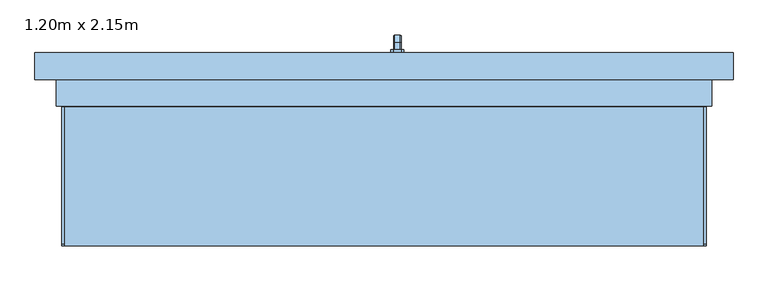
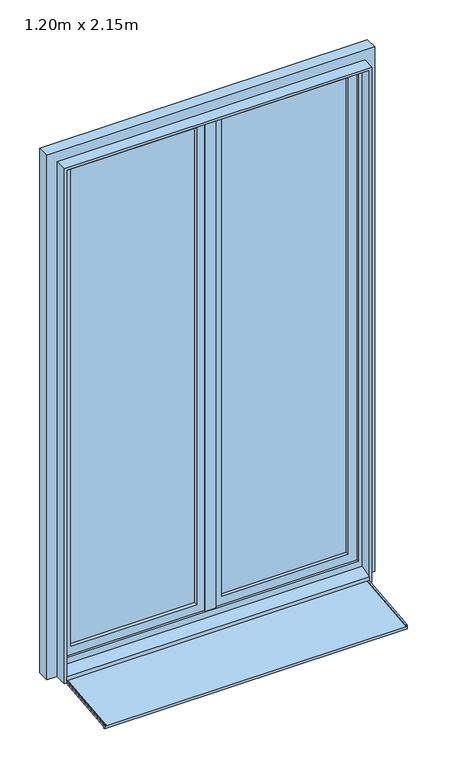
"""IFC4 building model written with IfcOpenShell, lengths in millimetres: window geometry, 1.20m x 2.15m."""

from ifc_helpers import new_model, si_unit, point, frame, frame_2d, origin, place, context, project, spatial, polyline, circle_curve, trimmed, segment, composite_curve, outline, extrude, faceted_brep, source, transform, mapped, element, save


def window_1_20m_x_2_15m_a9a2d3fd(model_context):
    return source(origin(), model_context, "Body", "SolidModel", [
        faceted_brep([(30.6460097, 181.0, 1122.0339292), (19.3539903, 181.0, 1122.0339292), (17.9660708, 181.0, 1120.6460097), (17.9660708, 181.0, 1109.3323012), (19.3323012, 181.0, 1107.9660708), (30.6676988, 181.0, 1107.9660708), (32.0339292, 181.0, 1109.3323012), (32.0339292, 181.0, 1120.6460097), (32.0339292, 193.3386538, 1120.6460097), (30.6460097, 193.9135489, 1122.0339292), (32.0339292, 188.6523623, 1109.3323012), (32.0339292, 195.3323012, 1102.6523623), (32.0339292, 195.3323012, 1020.0), (32.0339292, 206.6460097, 1020.0), (32.0339292, 206.6460097, 1107.3386538), (30.6676988, 188.0864511, 1107.9660708), (19.3323012, 188.0864511, 1107.9660708), (17.9660708, 188.6523623, 1109.3323012), (17.9660708, 193.3386538, 1120.6460097), (17.9660708, 206.6460097, 1107.3386538), (17.9660708, 206.6460097, 1020.0), (17.9660708, 195.3323012, 1020.0), (17.9660708, 195.3323012, 1102.6523623), (19.3539903, 193.9135489, 1122.0339292), (30.6460097, 208.0339292, 1107.9135489), (30.6676988, 193.9660708, 1102.0864511), (19.3323012, 193.9660708, 1102.0864511), (19.3539903, 208.0339292, 1107.9135489), (30.6460097, 208.0339292, 1020.0), (30.6676988, 193.9660708, 1020.0), (19.3323012, 193.9660708, 1020.0), (19.3539903, 208.0339292, 1020.0)], [[[0, 1, 2, 3, 4, 5, 6, 7]], [[7, 8, 9, 0]], [[6, 10, 11, 12, 13, 14, 8, 7]], [[5, 15, 10, 6]], [[4, 16, 15, 5]], [[3, 17, 16, 4]], [[2, 18, 19, 20, 21, 22, 17, 3]], [[1, 23, 18, 2]], [[0, 9, 23, 1]], [[8, 14, 24, 9]], [[15, 25, 11, 10]], [[16, 26, 25, 15]], [[17, 22, 26, 16]], [[23, 27, 19, 18]], [[9, 24, 27, 23]], [[28, 13, 12, 29, 30, 21, 20, 31]], [[14, 13, 28, 24]], [[25, 29, 12, 11]], [[26, 30, 29, 25]], [[22, 21, 30, 26]], [[27, 31, 20, 19]], [[24, 28, 31, 27]]]),
        extrude(outline(polyline([(1140.0, 32.0), (1140.0, 18.0), (1135.0, 13.0), (1065.0, 13.0), (1060.0, 18.0), (1060.0, 32.0), (1065.0, 37.0), (1135.0, 37.0), (1140.0, 32.0)])), frame((0.0, 175.0, 0.0), z_axis=(0.0, 1.0, 0.0), x_axis=(0.0, 0.0, 1.0)), (0.0, 0.0, 1.0), 6.0),
        extrude(outline(polyline([(-185.0288776, 10.8229907), (90.0, 39.7296906), (90.0, 50.0), (95.0, 50.0), (95.0, 35.0), (-180.0288776, 6.0933001), (-180.0288776, 0.2703094), (-185.0288776, -0.2552118), (-185.0288776, 10.8229907)])), frame((-600.0, 0.0, 0.0), z_axis=(1.0, 0.0, 0.0), x_axis=(0.0, 1.0, 0.0)), (0.0, 0.0, 1.0), 1200.0),
        extrude(outline(composite_curve([segment(polyline([(-185.0288776, 10.8229907), (-185.0288776, 12.2489159)]), True, "CONTINUOUS"), segment(trimmed(circle_curve(frame_2d((-181.0288776, 12.2489159)), 4.0), [point((-185.0288776, 12.2489159))], [point((-181.4469915, 16.2270035))], False, "CARTESIAN"), True, "CONTINUOUS"), segment(polyline([(-181.4469915, 16.2270035), (90.0, 44.757232), (90.0, 39.7296906), (-185.0288776, 10.8229907)]), True, "CONTINUOUS")], self_intersect=False)), frame((-600.0, 0.0, 0.0), z_axis=(1.0, 0.0, 0.0), x_axis=(0.0, 1.0, 0.0)), (0.0, 0.0, 1.0), 5.0),
        extrude(outline(composite_curve([segment(polyline([(-185.0288776, 10.8229907), (-185.0288776, 12.2489159)]), True, "CONTINUOUS"), segment(trimmed(circle_curve(frame_2d((-181.0288776, 12.2489159)), 4.0), [point((-185.0288776, 12.2489159))], [point((-181.4469915, 16.2270035))], False, "CARTESIAN"), True, "CONTINUOUS"), segment(polyline([(-181.4469915, 16.2270035), (90.0, 44.757232), (90.0, 39.7296906), (-185.0288776, 10.8229907)]), True, "CONTINUOUS")], self_intersect=False)), frame((595.0, 0.0, 0.0), z_axis=(1.0, 0.0, 0.0), x_axis=(0.0, 1.0, 0.0)), (0.0, 0.0, 1.0), 5.0),
        extrude(outline(polyline([(85.0, -600.0), (85.0, 0.0), (2185.0, 0.0), (2185.0, -600.0), (85.0, -600.0)]), holes=[polyline([(135.0, -50.0), (135.0, -550.0), (2135.0, -550.0), (2135.0, -50.0), (135.0, -50.0)])]), frame((0.0, 135.0, 0.0), z_axis=(0.0, 1.0, 0.0), x_axis=(0.0, 0.0, 1.0)), (0.0, 0.0, 1.0), 40.0),
        extrude(outline(polyline([(50.0, 149.0), (50.0, 161.0), (550.0, 161.0), (550.0, 149.0), (50.0, 149.0)])), frame((0.0, 0.0, 135.0), z_axis=(0.0, 0.0, 1.0), x_axis=(1.0, 0.0, 0.0)), (0.0, 0.0, 1.0), 2000.0),
        extrude(outline(polyline([(-550.0, 149.0), (-550.0, 161.0), (-50.0, 161.0), (-50.0, 149.0), (-550.0, 149.0)])), frame((0.0, 0.0, 135.0), z_axis=(0.0, 0.0, 1.0), x_axis=(1.0, 0.0, 0.0)), (0.0, 0.0, 1.0), 2000.0),
        extrude(outline(polyline([(85.0, 0.0), (85.0, 600.0), (2185.0, 600.0), (2185.0, 0.0), (85.0, 0.0)]), holes=[polyline([(135.0, 550.0), (135.0, 50.0), (2135.0, 50.0), (2135.0, 550.0), (135.0, 550.0)])]), frame((0.0, 135.0, 0.0), z_axis=(0.0, 1.0, 0.0), x_axis=(0.0, 0.0, 1.0)), (0.0, 0.0, 1.0), 40.0),
        faceted_brep([(-650.0, 175.0, 35.0), (650.0, 175.0, 35.0), (650.0, 125.0, 35.0), (600.0, 125.0, 35.0), (600.0, 95.0, 35.0), (-600.0, 95.0, 35.0), (-600.0, 125.0, 35.0), (-650.0, 125.0, 35.0), (-650.0, 125.0, 2235.0), (-650.0, 175.0, 2235.0), (-600.0, 125.0, 74.3761425), (600.0, 125.0, 74.3761425), (650.0, 125.0, 2235.0), (-585.0, 125.0, 2170.0), (585.0, 125.0, 2170.0), (585.0, 125.0, 100.0), (-585.0, 125.0, 100.0), (-600.0, 95.0, 50.0), (-600.0, 85.0, 50.0), (-600.0, 85.0, 45.0), (-600.0, 75.0, 45.0), (-600.0, 75.0, 60.9786829), (600.0, 95.0, 50.0), (600.0, 75.0, 60.9786829), (600.0, 75.0, 45.0), (600.0, 85.0, 45.0), (600.0, 85.0, 50.0), (650.0, 175.0, 2235.0), (600.0, 175.0, 2185.0), (-600.0, 175.0, 2185.0), (-600.0, 175.0, 85.0), (600.0, 175.0, 85.0), (-585.0, 135.0, 100.0), (-585.0, 135.0, 2170.0), (585.0, 135.0, 100.0), (585.0, 135.0, 2170.0), (600.0, 135.0, 2185.0), (600.0, 135.0, 85.0), (-600.0, 135.0, 85.0), (-600.0, 135.0, 2185.0)], [[[0, 1, 2, 3, 4, 5, 6, 7]], [[7, 8, 9, 0]], [[7, 6, 10, 11, 3, 2, 12, 8], [13, 14, 15, 16]], [[10, 6, 5, 17, 18, 19, 20, 21]], [[5, 4, 22, 17]], [[4, 3, 11, 23, 24, 25, 26, 22]], [[2, 1, 27, 12]], [[0, 9, 27, 1], [28, 29, 30, 31]], [[13, 16, 32, 33]], [[32, 16, 15, 34]], [[35, 34, 15, 14]], [[21, 23, 11, 10]], [[36, 37, 38, 39], [33, 32, 34, 35]], [[38, 30, 29, 39]], [[30, 38, 37, 31]], [[28, 31, 37, 36]], [[20, 24, 23, 21]], [[19, 25, 24, 20]], [[18, 26, 25, 19]], [[17, 22, 26, 18]], [[13, 33, 35, 14]], [[39, 29, 28, 36]], [[12, 27, 9, 8]]]),
        extrude(outline(polyline([(35.0, -600.0), (2185.0, -600.0), (2185.0, 600.0), (35.0, 600.0), (35.0, 610.0), (2195.0, 610.0), (2195.0, -610.0), (35.0, -610.0), (35.0, -600.0)])), frame((0.0, 75.0, 0.0), z_axis=(0.0, 1.0, 0.0), x_axis=(0.0, 0.0, 1.0)), (0.0, 0.0, 1.0), 50.0),
        extrude(outline(polyline([(20.0, 127.0), (-20.0, 127.0), (-20.0, 135.0), (20.0, 135.0), (20.0, 127.0)])), frame((0.0, 0.0, 100.0), z_axis=(0.0, 0.0, 1.0), x_axis=(1.0, 0.0, 0.0)), (0.0, 0.0, 1.0), 2070.0),
    ])


if __name__ == "__main__":
    model = new_model("IFC4")
    model_context = context("Model", 3, world=origin())
    ifc_project = project(units=[si_unit("LENGTHUNIT", "METRE", prefix="MILLI")], contexts=[model_context])
    site = spatial("IfcSite", under=ifc_project)
    building = spatial("IfcBuilding", under=site)
    placement = place(None, origin())
    window_1_20m_x_2_15m_shape = window_1_20m_x_2_15m_a9a2d3fd(model_context)
    element("IfcWindow", 1, ObjectType="1.20m x 2.15m", at=placement, inside=building, context=model_context, shape_type="MappedRepresentation", body=[
        mapped(window_1_20m_x_2_15m_shape, transform((0.0, 0.0, 0.0), x_axis=(1.0, 0.0, 0.0), y_axis=(0.0, 1.0, 0.0), z_axis=(0.0, 0.0, 1.0))),
    ])
    save(model, "model.ifc")
